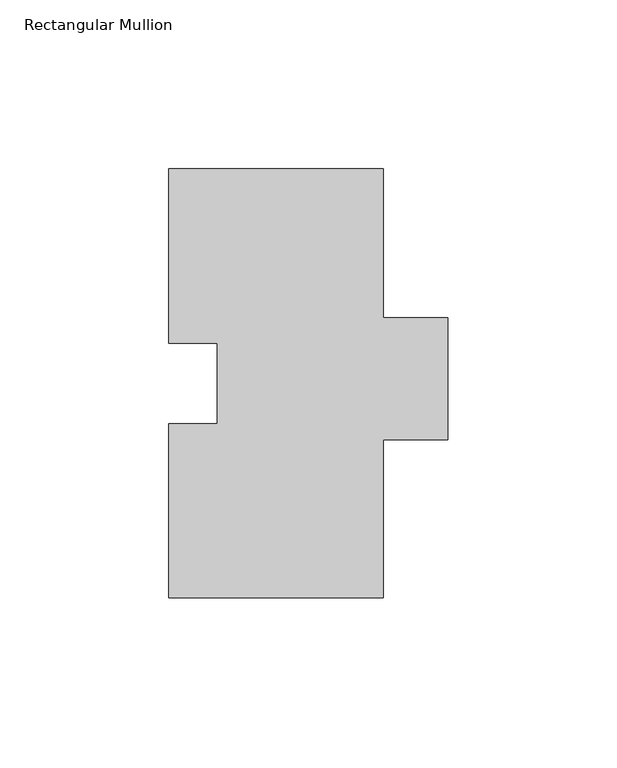
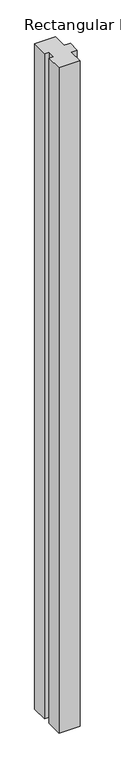
"""IFC4 building model written with IfcOpenShell, lengths in millimetres: member geometry, Rectangular Mullion."""

from ifc_helpers import new_model, si_unit, frame, origin, place, context, project, spatial, polyline, outline, extrude, source, transform, mapped, element, save


def rectangular_mullion_04bc29f6(model_context):
    return source(origin(), model_context, "Body", "SweptSolid", [
        extrude(outline(polyline([(-17.4622287, 75.3999), (-31.7502713, 75.3999), (-31.7502713, 127.0), (31.7502713, 127.0), (31.7502713, 82.9250181), (50.8002713, 82.9250181), (50.8002713, 46.83125), (31.7497287, 46.83125), (31.7497287, 0.0), (-31.7497287, 0.0), (-31.7497287, 51.6001), (-17.4622287, 51.6001), (-17.4622287, 75.3999)])), frame((0.0, 0.0, -2133.6), z_axis=(0.0, 0.0, 1.0), x_axis=(1.0, 0.0, 0.0)), (0.0, 0.0, 1.0), 2133.6),
    ])


if __name__ == "__main__":
    model = new_model("IFC4")
    model_context = context("Model", 3, world=origin())
    ifc_project = project(units=[si_unit("LENGTHUNIT", "METRE", prefix="MILLI")], contexts=[model_context])
    site = spatial("IfcSite", under=ifc_project)
    building = spatial("IfcBuilding", under=site)
    placement = place(None, origin())
    rectangular_mullion_shape = rectangular_mullion_04bc29f6(model_context)
    element("IfcMember", 1, ObjectType="Rectangular Mullion", at=placement, inside=building, context=model_context, shape_type="MappedRepresentation", body=[
        mapped(rectangular_mullion_shape, transform((0.0, 0.0, 0.0), x_axis=(1.0, 0.0, 0.0), y_axis=(0.0, 1.0, 0.0), z_axis=(0.0, 0.0, 1.0))),
    ])
    save(model, "model.ifc")
